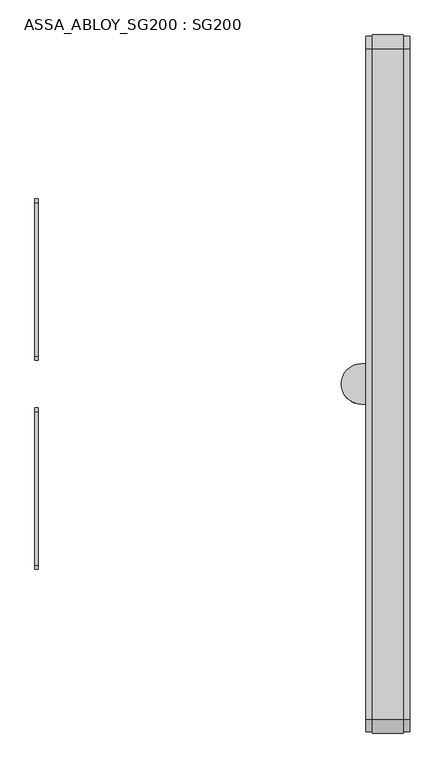
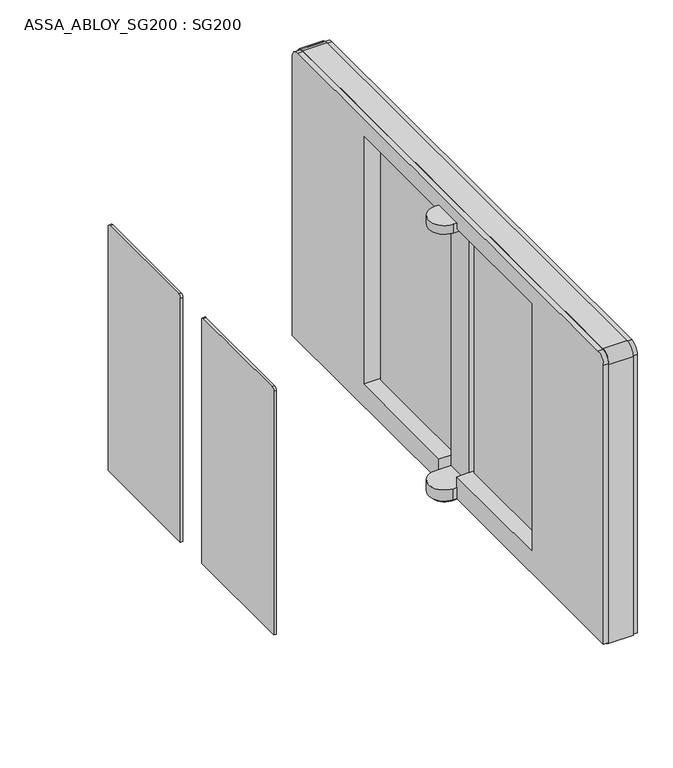
"""IFC4 building model written with IfcOpenShell, lengths in millimetres: proxy geometry, ASSA_ABLOY_SG200 : SG200."""

from ifc_helpers import new_model, si_unit, point, frame, frame_2d, origin, place, context, project, spatial, polyline, circle_curve, trimmed, segment, composite_curve, outline, extrude, source, transform, mapped, element, save
from ifc_brep_helpers import plane_surface, cylinder_surface, advanced_brep


def assa_abloy_sg200_sg200_b7031964(model_context):
    return source(origin(), model_context, "Body", "SolidModel", [
        extrude(outline(composite_curve([segment(polyline([(59.9, 85.2), (59.9, 921.825)]), True, "CONTINUOUS"), segment(trimmed(circle_curve(frame_2d((69.9, 921.825)), 10.0), [point((59.9, 921.825))], [point((69.9, 931.825))], False, "CARTESIAN"), True, "CONTINUOUS"), segment(polyline([(69.9, 931.825), (454.9, 931.825)]), True, "CONTINUOUS"), segment(trimmed(circle_curve(frame_2d((454.9, 921.825)), 10.0), [point((454.9, 931.825))], [point((464.9, 921.825))], False, "CARTESIAN"), True, "CONTINUOUS"), segment(polyline([(464.9, 921.825), (464.9, 85.2), (59.9, 85.2)]), True, "CONTINUOUS")], self_intersect=False)), frame((438.0, 0.0, 0.0), z_axis=(1.0, 0.0, 0.0), x_axis=(0.0, 1.0, 0.0)), (0.0, 0.0, 1.0), 8.0),
        extrude(outline(composite_curve([segment(polyline([(-59.9, 85.2), (-464.9, 85.2), (-464.9, 921.825)]), True, "CONTINUOUS"), segment(trimmed(circle_curve(frame_2d((-454.9, 921.825)), 10.0), [point((-464.9, 921.825))], [point((-454.9, 931.825))], False, "CARTESIAN"), True, "CONTINUOUS"), segment(polyline([(-454.9, 931.825), (-69.9, 931.825)]), True, "CONTINUOUS"), segment(trimmed(circle_curve(frame_2d((-69.9, 921.825)), 10.0), [point((-69.9, 931.825))], [point((-59.9, 921.825))], False, "CARTESIAN"), True, "CONTINUOUS"), segment(polyline([(-59.9, 921.825), (-59.9, 85.2)]), True, "CONTINUOUS")], self_intersect=False)), frame((438.0, 0.0, 0.0), z_axis=(1.0, 0.0, 0.0), x_axis=(0.0, 1.0, 0.0)), (0.0, 0.0, 1.0), 8.0),
        advanced_brep(
        [(403.0, -40.7, 0.0), (375.8, -40.7, 0.0), (375.8, 40.7, 0.0), (403.0, 40.7, 0.0), (403.0, 864.0, 0.0), (481.0, 864.0, 0.0), (481.0, -864.0, 0.0), (403.0, -864.0, 0.0), (481.0, 864.0, 9.5), (481.0, -864.0, 9.5), (403.0, -864.0, 9.5), (403.0, -40.7, 9.5), (403.0, 864.0, 9.5), (403.0, 40.7, 9.5), (387.0, -40.7, 9.5), (387.0, -40.7, 10.0), (375.8, -40.7, 10.0), (375.8, 40.7, 10.0), (387.0, 40.7, 10.0), (387.0, 40.7, 9.5), (375.8, 50.8, 955.51), (375.8, -50.8, 955.51), (387.0, -50.8, 955.51), (387.0, 50.8, 955.51), (375.8, 50.8, 925.51), (375.8, -50.8, 925.51), (426.8, -50.8, 925.51), (426.8, 50.8, 925.51), (426.8, 50.8, 48.01), (387.0, 50.8, 48.01), (375.8, 50.8, 48.01), (375.8, -50.8, 48.01), (387.0, -50.8, 48.01), (426.8, -50.8, 48.01), (497.0, 50.8, 85.2), (497.0, 474.0, 85.2), (387.0, 474.0, 85.2), (387.0, 50.8, 85.2), (426.8, 50.8, 85.2), (497.0, 474.0, 936.825), (387.0, 474.0, 936.825), (497.0, 50.8, 936.825), (387.0, 50.8, 936.825), (497.0, -474.0, 85.2), (497.0, -50.8, 85.2), (426.8, -50.8, 85.2), (387.0, -50.8, 85.2), (387.0, -474.0, 85.2), (497.0, -50.8, 936.825), (387.0, -50.8, 936.825), (497.0, -474.0, 936.825), (387.0, -474.0, 936.825), (497.0, -874.0, 965.5), (497.0, -874.0, 9.5), (497.0, 874.0, 9.5), (497.0, 874.0, 965.5), (497.0, 842.5, 997.0), (497.0, -842.5, 997.0), (387.0, -874.0, 965.5), (387.0, -842.5, 997.0), (387.0, 842.5, 997.0), (387.0, 874.0, 965.5), (387.0, 874.0, 9.5), (387.0, 50.8, 10.0), (387.0, -50.8, 10.0), (387.0, -874.0, 9.5), (375.8, 50.8, 10.0), (375.8, -50.8, 10.0)],
        [
            (0, 1),
            (1, 2, circle_curve(frame((375.8, 0.0, 0.0), z_axis=(0.0, 0.0, -1.0), x_axis=(-1.0, 0.0, 0.0)), 40.7)),
            (2, 3),
            (3, 4),
            (4, 5),
            (5, 6),
            (6, 7),
            (7, 0),
            (5, 8),
            (8, 9),
            (9, 6),
            (7, 10),
            (10, 11),
            (11, 0),
            (4, 12),
            (12, 8),
            (3, 13),
            (13, 12),
            (11, 14),
            (14, 15),
            (15, 16),
            (16, 1),
            (16, 17, circle_curve(frame((375.8, 0.0, 10.0), z_axis=(0.0, 0.0, -1.0), x_axis=(-1.0, 0.0, 0.0)), 40.7)),
            (17, 2),
            (17, 18),
            (18, 19),
            (19, 13),
            (20, 21, circle_curve(frame((375.8, 0.0, 955.51), z_axis=(0.0, 0.0, 1.0), x_axis=(-1.0, 0.0, 0.0)), 50.8)),
            (21, 22),
            (22, 23),
            (23, 20),
            (20, 24),
            (24, 25, circle_curve(frame((375.8, 0.0, 925.51), z_axis=(0.0, 0.0, 1.0), x_axis=(-1.0, 0.0, 0.0)), 50.8)),
            (25, 21),
            (9, 10),
            (26, 25),
            (24, 27),
            (27, 26),
            (28, 29),
            (29, 30),
            (30, 31, circle_curve(frame((375.8, 0.0, 48.01), z_axis=(0.0, 0.0, 1.0), x_axis=(-1.0, 0.0, 0.0)), 50.8)),
            (31, 32),
            (32, 33),
            (33, 28),
            (34, 35),
            (35, 36),
            (36, 37),
            (37, 38),
            (38, 34),
            (35, 39),
            (39, 40),
            (40, 36),
            (39, 41),
            (41, 42),
            (42, 40),
            (38, 27),
            (23, 42),
            (41, 34),
            (43, 44),
            (44, 45),
            (45, 46),
            (46, 47),
            (47, 43),
            (44, 48),
            (48, 49),
            (49, 22),
            (26, 45),
            (48, 50),
            (50, 51),
            (51, 49),
            (47, 51),
            (50, 43),
            (52, 53),
            (53, 54),
            (54, 55),
            (55, 56, circle_curve(frame((497.0, 842.5, 965.5), z_axis=(1.0, 0.0, 0.0), x_axis=(0.0, 1.0, 0.0)), 31.5)),
            (56, 57),
            (57, 52, circle_curve(frame((497.0, -842.5, 965.5), z_axis=(1.0, 0.0, 0.0), x_axis=(0.0, 1.0, 0.0)), 31.5)),
            (58, 59, circle_curve(frame((387.0, -842.5, 965.5), z_axis=(-1.0, 0.0, 0.0), x_axis=(0.0, 1.0, 0.0)), 31.5)),
            (59, 60),
            (60, 61, circle_curve(frame((387.0, 842.5, 965.5), z_axis=(-1.0, 0.0, 0.0), x_axis=(0.0, 1.0, 0.0)), 31.5)),
            (61, 62),
            (62, 19),
            (18, 63),
            (63, 29),
            (29, 37),
            (46, 32),
            (32, 64),
            (64, 15),
            (14, 65),
            (65, 58),
            (52, 58),
            (65, 53),
            (62, 54),
            (61, 55),
            (60, 56),
            (59, 57),
            (28, 38),
            (33, 45),
            (63, 66),
            (66, 30),
            (31, 67),
            (67, 64),
            (66, 67, circle_curve(frame((375.8, 0.0, 10.0), z_axis=(0.0, 0.0, 1.0), x_axis=(-1.0, 0.0, 0.0)), 50.8)),
        ],
        [
            plane_surface(frame((403.0, -40.7, 0.0), z_axis=(0.0, 0.0, -1.0), x_axis=(1.0, 0.0, 0.0))),
            plane_surface(frame((481.0, 864.0, 10.21), z_axis=(1.0, 0.0, 0.0), x_axis=(0.0, 0.0, -1.0))),
            plane_surface(frame((403.0, -864.0, 10.21), z_axis=(-1.0, 0.0, 0.0), x_axis=(0.0, 0.0, -1.0))),
            plane_surface(frame((403.0, 864.0, 10.21), z_axis=(0.0, 1.0, 0.0), x_axis=(0.0, 0.0, -1.0))),
            plane_surface(frame((403.0, 40.7, 10.21), z_axis=(-1.0, 0.0, 0.0), x_axis=(0.0, 0.0, -1.0))),
            plane_surface(frame((403.0, -40.7, 10.21), z_axis=(0.0, -1.0, 0.0), x_axis=(0.0, 0.0, -1.0))),
            cylinder_surface(frame((375.8, 0.0, 0.0), z_axis=(0.0, 0.0, 1.0), x_axis=(-1.0, 0.0, 0.0)), 40.7),
            plane_surface(frame((375.8, 40.7, 10.21), z_axis=(0.0, 1.0, 0.0), x_axis=(0.0, 0.0, -1.0))),
            plane_surface(frame((375.8, 50.8, 955.51), z_axis=(0.0, 0.0, 1.0), x_axis=(1.0, 0.0, 0.0))),
            cylinder_surface(frame((375.8, 0.0, 925.51), z_axis=(0.0, 0.0, 1.0), x_axis=(-1.0, 0.0, 0.0)), 50.8),
            plane_surface(frame((481.0, -864.0, 10.21), z_axis=(0.0, -1.0, 0.0), x_axis=(0.0, 0.0, -1.0))),
            plane_surface(frame((426.8, 0.0, 925.51), z_axis=(0.0, 0.0, -1.0), x_axis=(0.0, -1.0, 0.0))),
            plane_surface(frame((426.8, 0.0, 48.01), z_axis=(0.0, 0.0, 1.0), x_axis=(0.0, 1.0, 0.0))),
            plane_surface(frame((380.0, 50.8, 85.2), z_axis=(0.0, 0.0, 1.0), x_axis=(1.0, 0.0, 0.0))),
            plane_surface(frame((380.0, 474.0, 85.2), z_axis=(0.0, -1.0, 0.0), x_axis=(1.0, 0.0, 0.0))),
            plane_surface(frame((380.0, 474.0, 936.825), z_axis=(0.0, 0.0, -1.0), x_axis=(1.0, 0.0, 0.0))),
            plane_surface(frame((380.0, 50.8, 936.825), z_axis=(0.0, 1.0, 0.0), x_axis=(1.0, 0.0, 0.0))),
            plane_surface(frame((380.0, -474.0, 85.2), z_axis=(0.0, 0.0, 1.0), x_axis=(1.0, 0.0, 0.0))),
            plane_surface(frame((380.0, -50.8, 85.2), z_axis=(0.0, -1.0, 0.0), x_axis=(1.0, 0.0, 0.0))),
            plane_surface(frame((380.0, -50.8, 936.825), z_axis=(0.0, 0.0, -1.0), x_axis=(1.0, 0.0, 0.0))),
            plane_surface(frame((380.0, -474.0, 936.825), z_axis=(0.0, 1.0, 0.0), x_axis=(1.0, 0.0, 0.0))),
            plane_surface(frame((497.0, -874.0, 10.2), z_axis=(1.0, 0.0, 0.0), x_axis=(0.0, 0.0, 1.0))),
            plane_surface(frame((387.0, -874.0, 10.2), z_axis=(-1.0, 0.0, 0.0), x_axis=(0.0, 0.0, -1.0))),
            plane_surface(frame((387.0, -874.0, 965.5), z_axis=(0.0, -1.0, 0.0), x_axis=(1.0, 0.0, 0.0))),
            plane_surface(frame((387.0, -874.0, 9.5), z_axis=(0.0, 0.0, -1.0), x_axis=(1.0, 0.0, 0.0))),
            plane_surface(frame((387.0, 874.0, 9.5), z_axis=(0.0, 1.0, 0.0), x_axis=(1.0, 0.0, 0.0))),
            cylinder_surface(frame((497.0, 842.5, 965.5), z_axis=(-1.0, 0.0, 0.0), x_axis=(0.0, 1.0, 0.0)), 31.5),
            plane_surface(frame((387.0, 842.5, 997.0), z_axis=(0.0, 0.0, 1.0), x_axis=(1.0, 0.0, 0.0))),
            cylinder_surface(frame((497.0, -842.5, 965.5), z_axis=(-1.0, 0.0, 0.0), x_axis=(0.0, 1.0, 0.0)), 31.5),
            plane_surface(frame((387.0, 50.8, 925.51), z_axis=(0.0, -1.0, 0.0), x_axis=(0.0, 0.0, -1.0))),
            plane_surface(frame((426.8, 50.8, 925.51), z_axis=(-1.0, 0.0, 0.0), x_axis=(0.0, 0.0, -1.0))),
            plane_surface(frame((426.8, -50.8, 925.51), z_axis=(0.0, 1.0, 0.0), x_axis=(0.0, 0.0, -1.0))),
            plane_surface(frame((375.8, 50.8, 48.01), z_axis=(0.0, 1.0, 0.0), x_axis=(0.0, 0.0, -1.0))),
            plane_surface(frame((387.0, -50.8, 48.01), z_axis=(0.0, -1.0, 0.0), x_axis=(0.0, 0.0, -1.0))),
            cylinder_surface(frame((375.8, 0.0, 10.0), z_axis=(0.0, 0.0, 1.0), x_axis=(-1.0, 0.0, 0.0)), 50.8),
            plane_surface(frame((375.8, 50.8, 10.0), z_axis=(0.0, 0.0, -1.0), x_axis=(-1.0, 0.0, 0.0))),
        ],
        [
            (0, [[1, 2, 3, 4, 5, 6, 7, 8]]),
            (1, [[9, 10, 11, -6]]),
            (2, [[12, 13, 14, -8]]),
            (3, [[15, 16, -9, -5]]),
            (4, [[17, 18, -15, -4]]),
            (5, [[-14, 19, 20, 21, 22, -1]]),
            (6, [[-22, 23, 24, -2]]),
            (7, [[-24, 25, 26, 27, -17, -3]]),
            (8, [[28, 29, 30, 31]]),
            (9, [[32, 33, 34, -28]]),
            (10, [[-11, 35, -12, -7]]),
            (11, [[36, -33, 37, 38]]),
            (12, [[39, 40, 41, 42, 43, 44]]),
            (13, [[45, 46, 47, 48, 49]]),
            (14, [[50, 51, 52, -46]]),
            (15, [[53, 54, 55, -51]]),
            (16, [[56, -37, -32, -31, 57, -54, 58, -49]]),
            (17, [[59, 60, 61, 62, 63]]),
            (18, [[64, 65, 66, -29, -34, -36, 67, -60]]),
            (19, [[68, 69, 70, -65]]),
            (20, [[71, -69, 72, -63]]),
            (21, [[73, 74, 75, 76, 77, 78], [-58, -53, -50, -45], [-72, -68, -64, -59]]),
            (22, [[79, 80, 81, 82, 83, -26, 84, 85, 86, -47, -52, -55, -57, -30, -66, -70, -71, -62, 87, 88, 89, -20, 90, 91]]),
            (23, [[92, -91, 93, -73]]),
            (24, [[-93, -90, -19, -13, -35, -10, -16, -18, -27, -83, 94, -74]]),
            (25, [[-94, -82, 95, -75]]),
            (26, [[-95, -81, 96, -76]]),
            (27, [[-96, -80, 97, -77]]),
            (28, [[-97, -79, -92, -78]]),
            (29, [[98, -48, -86, -39]]),
            (30, [[-56, -98, -44, 99, -67, -38]]),
            (31, [[-87, -61, -99, -43]]),
            (32, [[-85, 100, 101, -40]]),
            (33, [[102, 103, -88, -42]]),
            (34, [[-101, 104, -102, -41]]),
            (35, [[-100, -84, -25, -23, -21, -89, -103, -104]]),
        ],
    ),
        extrude(outline(composite_curve([segment(polyline([(-874.0, 965.5), (-874.0, 9.5), (-877.0, 9.5), (-877.0, 965.5)]), True, "CONTINUOUS"), segment(trimmed(circle_curve(frame_2d((-842.5, 965.5)), 34.5), [point((-877.0, 965.5))], [point((-842.5, 1000.0))], False, "CARTESIAN"), True, "CONTINUOUS"), segment(polyline([(-842.5, 1000.0), (842.5, 1000.0)]), True, "CONTINUOUS"), segment(trimmed(circle_curve(frame_2d((842.5, 965.5)), 34.5), [point((842.5, 1000.0))], [point((877.0, 965.5))], False, "CARTESIAN"), True, "CONTINUOUS"), segment(polyline([(877.0, 965.5), (877.0, 9.5), (874.0, 9.5), (874.0, 965.5)]), True, "CONTINUOUS"), segment(trimmed(circle_curve(frame_2d((842.5, 965.5)), 31.5), [point((874.0, 965.5))], [point((842.5, 997.0))], True, "CARTESIAN"), True, "CONTINUOUS"), segment(polyline([(842.5, 997.0), (-842.5, 997.0)]), True, "CONTINUOUS"), segment(trimmed(circle_curve(frame_2d((-842.5, 965.5)), 31.5), [point((-842.5, 997.0))], [point((-874.0, 965.5))], True, "CARTESIAN"), True, "CONTINUOUS")], self_intersect=False)), frame((403.0, 0.0, 0.0), z_axis=(1.0, 0.0, 0.0), x_axis=(0.0, 1.0, 0.0)), (0.0, 0.0, 1.0), 78.0),
        advanced_brep(
        [(435.0, 357.7809311, 918.825), (435.0, 351.7809311, 924.825), (435.0, 351.7809311, 933.825), (435.0, 411.7809311, 933.825), (435.0, 411.7809311, 924.825), (435.0, 405.7809311, 918.825), (438.0, 357.7809311, 918.825), (438.0, 405.7809311, 918.825), (438.0, 411.7809311, 924.825), (438.0, 351.7809311, 924.825), (420.0, 357.7809311, 936.825), (426.0, 351.7809311, 936.825), (438.0, 351.7809311, 936.825), (438.0, 411.7809311, 936.825), (426.0, 411.7809311, 936.825), (420.0, 405.7809311, 936.825), (420.0, 357.7809311, 933.825), (420.0, 405.7809311, 933.825), (426.0, 411.7809311, 933.825), (426.0, 351.7809311, 933.825)],
        [
            (0, 1, circle_curve(frame((435.0, 357.7809311, 924.825), z_axis=(-1.0, 0.0, 0.0), x_axis=(0.0, 1.0, 0.0)), 6.0)),
            (1, 2),
            (2, 3),
            (3, 4),
            (4, 5, circle_curve(frame((435.0, 405.7809311, 924.825), z_axis=(-1.0, 0.0, 0.0), x_axis=(0.0, 1.0, 0.0)), 6.0)),
            (5, 0),
            (6, 0),
            (5, 7),
            (7, 6),
            (4, 8),
            (8, 7, circle_curve(frame((438.0, 405.7809311, 924.825), z_axis=(-1.0, 0.0, 0.0), x_axis=(0.0, 1.0, 0.0)), 6.0)),
            (9, 1),
            (6, 9, circle_curve(frame((438.0, 357.7809311, 924.825), z_axis=(-1.0, 0.0, 0.0), x_axis=(0.0, 1.0, 0.0)), 6.0)),
            (10, 11, circle_curve(frame((426.0, 357.7809311, 936.825), z_axis=(0.0, 0.0, 1.0), x_axis=(0.0, -1.0, 0.0)), 6.0)),
            (11, 12),
            (12, 13),
            (13, 14),
            (14, 15, circle_curve(frame((426.0, 405.7809311, 936.825), z_axis=(0.0, 0.0, 1.0), x_axis=(0.0, -1.0, 0.0)), 6.0)),
            (15, 10),
            (16, 17),
            (17, 18, circle_curve(frame((426.0, 405.7809311, 933.825), z_axis=(0.0, 0.0, -1.0), x_axis=(0.0, -1.0, 0.0)), 6.0)),
            (18, 3),
            (2, 19),
            (19, 16, circle_curve(frame((426.0, 357.7809311, 933.825), z_axis=(0.0, 0.0, -1.0), x_axis=(0.0, -1.0, 0.0)), 6.0)),
            (12, 9),
            (8, 13),
            (10, 16),
            (19, 11),
            (18, 14),
            (17, 15),
        ],
        [
            plane_surface(frame((435.0, 405.7809311, 918.825), z_axis=(-1.0, 0.0, 0.0), x_axis=(0.0, 1.0, 0.0))),
            plane_surface(frame((435.0, 357.7809311, 918.825), z_axis=(0.0, 0.0, -1.0), x_axis=(1.0, 0.0, 0.0))),
            cylinder_surface(frame((438.0, 405.7809311, 924.825), z_axis=(-1.0, 0.0, 0.0), x_axis=(0.0, 1.0, 0.0)), 6.0),
            cylinder_surface(frame((438.0, 357.7809311, 924.825), z_axis=(-1.0, 0.0, 0.0), x_axis=(0.0, 1.0, 0.0)), 6.0),
            plane_surface(frame((420.0, -405.7809311, 936.825), z_axis=(0.0, 0.0, 1.0), x_axis=(0.0, 1.0, 0.0))),
            plane_surface(frame((420.0, -405.7809311, 933.825), z_axis=(0.0, 0.0, -1.0), x_axis=(0.0, -1.0, 0.0))),
            plane_surface(frame((438.0, -411.7809311, 933.825), z_axis=(1.0, 0.0, 0.0), x_axis=(0.0, 0.0, 1.0))),
            cylinder_surface(frame((426.0, 357.7809311, 936.825), z_axis=(0.0, 0.0, -1.0), x_axis=(0.0, -1.0, 0.0)), 6.0),
            plane_surface(frame((426.0, 351.7809311, 933.825), z_axis=(0.0, -1.0, 0.0), x_axis=(0.0, 0.0, 1.0))),
            plane_surface(frame((438.0, 411.7809311, 933.825), z_axis=(0.0, 1.0, 0.0), x_axis=(0.0, 0.0, 1.0))),
            cylinder_surface(frame((426.0, 405.7809311, 936.825), z_axis=(0.0, 0.0, -1.0), x_axis=(0.0, -1.0, 0.0)), 6.0),
            plane_surface(frame((420.0, 405.7809311, 933.825), z_axis=(-1.0, 0.0, 0.0), x_axis=(0.0, 0.0, 1.0))),
        ],
        [
            (0, [[1, 2, 3, 4, 5, 6]]),
            (1, [[7, -6, 8, 9]]),
            (2, [[-8, -5, 10, 11]]),
            (3, [[12, -1, -7, 13]]),
            (4, [[14, 15, 16, 17, 18, 19]]),
            (5, [[20, 21, 22, -3, 23, 24]]),
            (6, [[25, -13, -9, -11, 26, -16]]),
            (7, [[27, -24, 28, -14]]),
            (8, [[-23, -2, -12, -25, -15, -28]]),
            (9, [[-17, -26, -10, -4, -22, 29]]),
            (10, [[-29, -21, 30, -18]]),
            (11, [[-30, -20, -27, -19]]),
        ],
    ),
        advanced_brep(
        [(435.0, 173.7809311, 918.825), (435.0, 125.7809311, 918.825), (435.0, 119.7809311, 924.825), (435.0, 119.7809311, 933.825), (435.0, 179.7809311, 933.825), (435.0, 179.7809311, 924.825), (438.0, 173.7809311, 918.825), (438.0, 179.7809311, 924.825), (438.0, 119.7809311, 924.825), (438.0, 125.7809311, 918.825), (420.0, 174.7809311, 936.825), (420.0, 125.7809311, 936.825), (426.0, 119.7809311, 936.825), (438.0, 119.7809311, 936.825), (438.0, 179.7809311, 936.825), (425.0, 179.7809311, 936.825), (420.0, 174.7809311, 933.825), (425.0, 179.7809311, 933.825), (426.0, 119.7809311, 933.825), (420.0, 125.7809311, 933.825)],
        [
            (0, 1),
            (1, 2, circle_curve(frame((435.0, 125.7809311, 924.825), z_axis=(-1.0, 0.0, 0.0), x_axis=(0.0, 1.0, 0.0)), 6.0)),
            (2, 3),
            (3, 4),
            (4, 5),
            (5, 0, circle_curve(frame((435.0, 173.7809311, 924.825), z_axis=(-1.0, 0.0, 0.0), x_axis=(0.0, 1.0, 0.0)), 6.0)),
            (6, 0),
            (5, 7),
            (7, 6, circle_curve(frame((438.0, 173.7809311, 924.825), z_axis=(-1.0, 0.0, 0.0), x_axis=(0.0, 1.0, 0.0)), 6.0)),
            (8, 2),
            (1, 9),
            (9, 8, circle_curve(frame((438.0, 125.7809311, 924.825), z_axis=(-1.0, 0.0, 0.0), x_axis=(0.0, 1.0, 0.0)), 6.0)),
            (6, 9),
            (10, 11),
            (11, 12, circle_curve(frame((426.0, 125.7809311, 936.825), z_axis=(0.0, 0.0, 1.0), x_axis=(0.0, -1.0, 0.0)), 6.0)),
            (12, 13),
            (13, 14),
            (14, 15),
            (15, 10, circle_curve(frame((425.0, 174.7809311, 936.825), z_axis=(0.0, 0.0, 1.0), x_axis=(0.0, -1.0, 0.0)), 5.0)),
            (16, 17, circle_curve(frame((425.0, 174.7809311, 933.825), z_axis=(0.0, 0.0, -1.0), x_axis=(0.0, -1.0, 0.0)), 5.0)),
            (17, 4),
            (3, 18),
            (18, 19, circle_curve(frame((426.0, 125.7809311, 933.825), z_axis=(0.0, 0.0, -1.0), x_axis=(0.0, -1.0, 0.0)), 6.0)),
            (19, 16),
            (13, 8),
            (7, 14),
            (10, 16),
            (19, 11),
            (18, 12),
            (17, 15),
        ],
        [
            plane_surface(frame((435.0, 405.7809311, 918.825), z_axis=(-1.0, 0.0, 0.0), x_axis=(0.0, 1.0, 0.0))),
            cylinder_surface(frame((438.0, 173.7809311, 924.825), z_axis=(-1.0, 0.0, 0.0), x_axis=(0.0, 1.0, 0.0)), 6.0),
            cylinder_surface(frame((438.0, 125.7809311, 924.825), z_axis=(-1.0, 0.0, 0.0), x_axis=(0.0, 1.0, 0.0)), 6.0),
            plane_surface(frame((435.0, 125.7809311, 918.825), z_axis=(0.0, 0.0, -1.0), x_axis=(1.0, 0.0, 0.0))),
            plane_surface(frame((420.0, -405.7809311, 936.825), z_axis=(0.0, 0.0, 1.0), x_axis=(0.0, 1.0, 0.0))),
            plane_surface(frame((420.0, -405.7809311, 933.825), z_axis=(0.0, 0.0, -1.0), x_axis=(0.0, -1.0, 0.0))),
            plane_surface(frame((438.0, -411.7809311, 933.825), z_axis=(1.0, 0.0, 0.0), x_axis=(0.0, 0.0, 1.0))),
            plane_surface(frame((420.0, 174.7809311, 933.825), z_axis=(-1.0, 0.0, 0.0), x_axis=(0.0, 0.0, 1.0))),
            cylinder_surface(frame((426.0, 125.7809311, 936.825), z_axis=(0.0, 0.0, -1.0), x_axis=(0.0, -1.0, 0.0)), 6.0),
            plane_surface(frame((426.0, 119.7809311, 933.825), z_axis=(0.0, -1.0, 0.0), x_axis=(0.0, 0.0, 1.0))),
            plane_surface(frame((438.0, 179.7809311, 933.825), z_axis=(0.0, 1.0, 0.0), x_axis=(0.0, 0.0, 1.0))),
            cylinder_surface(frame((425.0, 174.7809311, 936.825), z_axis=(0.0, 0.0, -1.0), x_axis=(0.0, -1.0, 0.0)), 5.0),
        ],
        [
            (0, [[1, 2, 3, 4, 5, 6]]),
            (1, [[7, -6, 8, 9]]),
            (2, [[10, -2, 11, 12]]),
            (3, [[-11, -1, -7, 13]]),
            (4, [[14, 15, 16, 17, 18, 19]]),
            (5, [[20, 21, -4, 22, 23, 24]]),
            (6, [[25, -12, -13, -9, 26, -17]]),
            (7, [[27, -24, 28, -14]]),
            (8, [[-28, -23, 29, -15]]),
            (9, [[-22, -3, -10, -25, -16, -29]]),
            (10, [[-18, -26, -8, -5, -21, 30]]),
            (11, [[-30, -20, -27, -19]]),
        ],
    ),
        advanced_brep(
        [(435.0, -357.7809311, 918.825), (435.0, -405.7809311, 918.825), (435.0, -411.7809311, 924.825), (435.0, -411.7809311, 933.825), (435.0, -351.7809311, 933.825), (435.0, -351.7809311, 924.825), (438.0, -357.7809311, 918.825), (438.0, -351.7809311, 924.825), (438.0, -411.7809311, 924.825), (438.0, -405.7809311, 918.825), (420.0, -357.7809311, 936.825), (420.0, -405.7809311, 936.825), (426.0, -411.7809311, 936.825), (438.0, -411.7809311, 936.825), (438.0, -351.7809311, 936.825), (426.0, -351.7809311, 936.825), (420.0, -357.7809311, 933.825), (426.0, -351.7809311, 933.825), (426.0, -411.7809311, 933.825), (420.0, -405.7809311, 933.825)],
        [
            (0, 1),
            (1, 2, circle_curve(frame((435.0, -405.7809311, 924.825), z_axis=(-1.0, 0.0, 0.0), x_axis=(0.0, 1.0, 0.0)), 6.0)),
            (2, 3),
            (3, 4),
            (4, 5),
            (5, 0, circle_curve(frame((435.0, -357.7809311, 924.825), z_axis=(-1.0, 0.0, 0.0), x_axis=(0.0, 1.0, 0.0)), 6.0)),
            (6, 0),
            (5, 7),
            (7, 6, circle_curve(frame((438.0, -357.7809311, 924.825), z_axis=(-1.0, 0.0, 0.0), x_axis=(0.0, 1.0, 0.0)), 6.0)),
            (8, 2),
            (1, 9),
            (9, 8, circle_curve(frame((438.0, -405.7809311, 924.825), z_axis=(-1.0, 0.0, 0.0), x_axis=(0.0, 1.0, 0.0)), 6.0)),
            (6, 9),
            (10, 11),
            (11, 12, circle_curve(frame((426.0, -405.7809311, 936.825), z_axis=(0.0, 0.0, 1.0), x_axis=(0.0, -1.0, 0.0)), 6.0)),
            (12, 13),
            (13, 14),
            (14, 15),
            (15, 10, circle_curve(frame((426.0, -357.7809311, 936.825), z_axis=(0.0, 0.0, 1.0), x_axis=(0.0, -1.0, 0.0)), 6.0)),
            (16, 17, circle_curve(frame((426.0, -357.7809311, 933.825), z_axis=(0.0, 0.0, -1.0), x_axis=(0.0, -1.0, 0.0)), 6.0)),
            (17, 4),
            (3, 18),
            (18, 19, circle_curve(frame((426.0, -405.7809311, 933.825), z_axis=(0.0, 0.0, -1.0), x_axis=(0.0, -1.0, 0.0)), 6.0)),
            (19, 16),
            (10, 16),
            (19, 11),
            (18, 12),
            (8, 13),
            (7, 14),
            (17, 15),
        ],
        [
            plane_surface(frame((435.0, 405.7809311, 918.825), z_axis=(-1.0, 0.0, 0.0), x_axis=(0.0, 1.0, 0.0))),
            cylinder_surface(frame((438.0, -357.7809311, 924.825), z_axis=(-1.0, 0.0, 0.0), x_axis=(0.0, 1.0, 0.0)), 6.0),
            cylinder_surface(frame((438.0, -405.7809311, 924.825), z_axis=(-1.0, 0.0, 0.0), x_axis=(0.0, 1.0, 0.0)), 6.0),
            plane_surface(frame((435.0, -405.7809311, 918.825), z_axis=(0.0, 0.0, -1.0), x_axis=(1.0, 0.0, 0.0))),
            plane_surface(frame((420.0, -405.7809311, 936.825), z_axis=(0.0, 0.0, 1.0), x_axis=(0.0, 1.0, 0.0))),
            plane_surface(frame((420.0, -405.7809311, 933.825), z_axis=(0.0, 0.0, -1.0), x_axis=(0.0, -1.0, 0.0))),
            plane_surface(frame((420.0, -357.7809311, 933.825), z_axis=(-1.0, 0.0, 0.0), x_axis=(0.0, 0.0, 1.0))),
            cylinder_surface(frame((426.0, -405.7809311, 936.825), z_axis=(0.0, 0.0, -1.0), x_axis=(0.0, -1.0, 0.0)), 6.0),
            plane_surface(frame((426.0, -411.7809311, 933.825), z_axis=(0.0, -1.0, 0.0), x_axis=(0.0, 0.0, 1.0))),
            plane_surface(frame((438.0, -411.7809311, 933.825), z_axis=(1.0, 0.0, 0.0), x_axis=(0.0, 0.0, 1.0))),
            plane_surface(frame((438.0, -351.7809311, 933.825), z_axis=(0.0, 1.0, 0.0), x_axis=(0.0, 0.0, 1.0))),
            cylinder_surface(frame((426.0, -357.7809311, 936.825), z_axis=(0.0, 0.0, -1.0), x_axis=(0.0, -1.0, 0.0)), 6.0),
        ],
        [
            (0, [[1, 2, 3, 4, 5, 6]]),
            (1, [[7, -6, 8, 9]]),
            (2, [[10, -2, 11, 12]]),
            (3, [[-11, -1, -7, 13]]),
            (4, [[14, 15, 16, 17, 18, 19]]),
            (5, [[20, 21, -4, 22, 23, 24]]),
            (6, [[25, -24, 26, -14]]),
            (7, [[-26, -23, 27, -15]]),
            (8, [[-22, -3, -10, 28, -16, -27]]),
            (9, [[-28, -12, -13, -9, 29, -17]]),
            (10, [[-18, -29, -8, -5, -21, 30]]),
            (11, [[-30, -20, -25, -19]]),
        ],
    ),
        advanced_brep(
        [(435.0, -173.7809311, 918.825), (435.0, -179.7809311, 924.825), (435.0, -179.7809311, 933.825), (435.0, -119.7809311, 933.825), (435.0, -119.7809311, 924.825), (435.0, -125.7809311, 918.825), (438.0, -173.7809311, 918.825), (438.0, -125.7809311, 918.825), (438.0, -119.7809311, 924.825), (438.0, -179.7809311, 924.825), (420.0, -173.7809311, 936.825), (426.0, -179.7809311, 936.825), (438.0, -179.7809311, 936.825), (438.0, -119.7809311, 936.825), (426.0, -119.7809311, 936.825), (420.0, -125.7809311, 936.825), (420.0, -173.7809311, 933.825), (420.0, -125.7809311, 933.825), (426.0, -119.7809311, 933.825), (426.0, -179.7809311, 933.825)],
        [
            (0, 1, circle_curve(frame((435.0, -173.7809311, 924.825), z_axis=(-1.0, 0.0, 0.0), x_axis=(0.0, 1.0, 0.0)), 6.0)),
            (1, 2),
            (2, 3),
            (3, 4),
            (4, 5, circle_curve(frame((435.0, -125.7809311, 924.825), z_axis=(-1.0, 0.0, 0.0), x_axis=(0.0, 1.0, 0.0)), 6.0)),
            (5, 0),
            (6, 0),
            (5, 7),
            (7, 6),
            (4, 8),
            (8, 7, circle_curve(frame((438.0, -125.7809311, 924.825), z_axis=(-1.0, 0.0, 0.0), x_axis=(0.0, 1.0, 0.0)), 6.0)),
            (9, 1),
            (6, 9, circle_curve(frame((438.0, -173.7809311, 924.825), z_axis=(-1.0, 0.0, 0.0), x_axis=(0.0, 1.0, 0.0)), 6.0)),
            (10, 11, circle_curve(frame((426.0, -173.7809311, 936.825), z_axis=(0.0, 0.0, 1.0), x_axis=(0.0, -1.0, 0.0)), 6.0)),
            (11, 12),
            (12, 13),
            (13, 14),
            (14, 15, circle_curve(frame((426.0, -125.7809311, 936.825), z_axis=(0.0, 0.0, 1.0), x_axis=(0.0, -1.0, 0.0)), 6.0)),
            (15, 10),
            (16, 17),
            (17, 18, circle_curve(frame((426.0, -125.7809311, 933.825), z_axis=(0.0, 0.0, -1.0), x_axis=(0.0, -1.0, 0.0)), 6.0)),
            (18, 3),
            (2, 19),
            (19, 16, circle_curve(frame((426.0, -173.7809311, 933.825), z_axis=(0.0, 0.0, -1.0), x_axis=(0.0, -1.0, 0.0)), 6.0)),
            (12, 9),
            (8, 13),
            (10, 16),
            (19, 11),
            (18, 14),
            (17, 15),
        ],
        [
            plane_surface(frame((435.0, 405.7809311, 918.825), z_axis=(-1.0, 0.0, 0.0), x_axis=(0.0, 1.0, 0.0))),
            plane_surface(frame((435.0, -173.7809311, 918.825), z_axis=(0.0, 0.0, -1.0), x_axis=(1.0, 0.0, 0.0))),
            cylinder_surface(frame((438.0, -125.7809311, 924.825), z_axis=(-1.0, 0.0, 0.0), x_axis=(0.0, 1.0, 0.0)), 6.0),
            cylinder_surface(frame((438.0, -173.7809311, 924.825), z_axis=(-1.0, 0.0, 0.0), x_axis=(0.0, 1.0, 0.0)), 6.0),
            plane_surface(frame((420.0, -405.7809311, 936.825), z_axis=(0.0, 0.0, 1.0), x_axis=(0.0, 1.0, 0.0))),
            plane_surface(frame((420.0, -405.7809311, 933.825), z_axis=(0.0, 0.0, -1.0), x_axis=(0.0, -1.0, 0.0))),
            plane_surface(frame((438.0, -411.7809311, 933.825), z_axis=(1.0, 0.0, 0.0), x_axis=(0.0, 0.0, 1.0))),
            cylinder_surface(frame((426.0, -173.7809311, 936.825), z_axis=(0.0, 0.0, -1.0), x_axis=(0.0, -1.0, 0.0)), 6.0),
            plane_surface(frame((426.0, -179.7809311, 933.825), z_axis=(0.0, -1.0, 0.0), x_axis=(0.0, 0.0, 1.0))),
            plane_surface(frame((438.0, -119.7809311, 933.825), z_axis=(0.0, 1.0, 0.0), x_axis=(0.0, 0.0, 1.0))),
            cylinder_surface(frame((426.0, -125.7809311, 936.825), z_axis=(0.0, 0.0, -1.0), x_axis=(0.0, -1.0, 0.0)), 6.0),
            plane_surface(frame((420.0, -125.7809311, 933.825), z_axis=(-1.0, 0.0, 0.0), x_axis=(0.0, 0.0, 1.0))),
        ],
        [
            (0, [[1, 2, 3, 4, 5, 6]]),
            (1, [[7, -6, 8, 9]]),
            (2, [[-8, -5, 10, 11]]),
            (3, [[12, -1, -7, 13]]),
            (4, [[14, 15, 16, 17, 18, 19]]),
            (5, [[20, 21, 22, -3, 23, 24]]),
            (6, [[25, -13, -9, -11, 26, -16]]),
            (7, [[27, -24, 28, -14]]),
            (8, [[-23, -2, -12, -25, -15, -28]]),
            (9, [[-17, -26, -10, -4, -22, 29]]),
            (10, [[-29, -21, 30, -18]]),
            (11, [[-30, -20, -27, -19]]),
        ],
    ),
        advanced_brep(
        [(449.0, 357.7809311, 918.825), (449.0, 405.7809311, 918.825), (449.0, 411.7809311, 924.825), (449.0, 411.7809311, 933.825), (449.0, 351.7809311, 933.825), (449.0, 351.7809311, 924.825), (446.0, 405.7809311, 918.825), (446.0, 357.7809311, 918.825), (446.0, 411.7809311, 924.825), (446.0, 351.7809311, 924.825), (464.0, 357.7809311, 936.825), (464.0, 405.7809311, 936.825), (458.0, 411.7809311, 936.825), (446.0, 411.7809311, 936.825), (446.0, 351.7809311, 936.825), (458.0, 351.7809311, 936.825), (464.0, 357.7809311, 933.825), (458.0, 351.7809311, 933.825), (458.0, 411.7809311, 933.825), (464.0, 405.7809311, 933.825)],
        [
            (0, 1),
            (1, 2, circle_curve(frame((449.0, 405.7809311, 924.825), z_axis=(1.0, 0.0, 0.0), x_axis=(0.0, -1.0, 0.0)), 6.0)),
            (2, 3),
            (3, 4),
            (4, 5),
            (5, 0, circle_curve(frame((449.0, 357.7809311, 924.825), z_axis=(1.0, 0.0, 0.0), x_axis=(0.0, -1.0, 0.0)), 6.0)),
            (6, 1),
            (0, 7),
            (7, 6),
            (8, 2),
            (6, 8, circle_curve(frame((446.0, 405.7809311, 924.825), z_axis=(1.0, 0.0, 0.0), x_axis=(0.0, -1.0, 0.0)), 6.0)),
            (5, 9),
            (9, 7, circle_curve(frame((446.0, 357.7809311, 924.825), z_axis=(1.0, 0.0, 0.0), x_axis=(0.0, -1.0, 0.0)), 6.0)),
            (10, 11),
            (11, 12, circle_curve(frame((458.0, 405.7809311, 936.825), z_axis=(0.0, 0.0, 1.0), x_axis=(0.0, -1.0, 0.0)), 6.0)),
            (12, 13),
            (13, 14),
            (14, 15),
            (15, 10, circle_curve(frame((458.0, 357.7809311, 936.825), z_axis=(0.0, 0.0, 1.0), x_axis=(0.0, -1.0, 0.0)), 6.0)),
            (16, 17, circle_curve(frame((458.0, 357.7809311, 933.825), z_axis=(0.0, 0.0, -1.0), x_axis=(0.0, -1.0, 0.0)), 6.0)),
            (17, 4),
            (3, 18),
            (18, 19, circle_curve(frame((458.0, 405.7809311, 933.825), z_axis=(0.0, 0.0, -1.0), x_axis=(0.0, -1.0, 0.0)), 6.0)),
            (19, 16),
            (9, 14),
            (13, 8),
            (10, 16),
            (19, 11),
            (18, 12),
            (17, 15),
        ],
        [
            plane_surface(frame((449.0, 351.7809311, 924.825), z_axis=(1.0, 0.0, 0.0), x_axis=(0.0, 0.0, 1.0))),
            plane_surface(frame((449.0, 405.7809311, 918.825), z_axis=(0.0, 0.0, -1.0), x_axis=(-1.0, 0.0, 0.0))),
            cylinder_surface(frame((446.0, 405.7809311, 924.825), z_axis=(1.0, 0.0, 0.0), x_axis=(0.0, -1.0, 0.0)), 6.0),
            cylinder_surface(frame((446.0, 357.7809311, 924.825), z_axis=(1.0, 0.0, 0.0), x_axis=(0.0, -1.0, 0.0)), 6.0),
            plane_surface(frame((420.0, -405.7809311, 936.825), z_axis=(0.0, 0.0, 1.0), x_axis=(0.0, 1.0, 0.0))),
            plane_surface(frame((420.0, -405.7809311, 933.825), z_axis=(0.0, 0.0, -1.0), x_axis=(0.0, -1.0, 0.0))),
            plane_surface(frame((446.0, -351.7809311, 933.825), z_axis=(-1.0, 0.0, 0.0), x_axis=(0.0, 0.0, 1.0))),
            plane_surface(frame((464.0, 357.7809311, 933.825), z_axis=(1.0, 0.0, 0.0), x_axis=(0.0, 0.0, 1.0))),
            cylinder_surface(frame((458.0, 405.7809311, 936.825), z_axis=(0.0, 0.0, -1.0), x_axis=(0.0, -1.0, 0.0)), 6.0),
            plane_surface(frame((458.0, 411.7809311, 933.825), z_axis=(0.0, 1.0, 0.0), x_axis=(0.0, 0.0, 1.0))),
            plane_surface(frame((446.0, 351.7809311, 933.825), z_axis=(0.0, -1.0, 0.0), x_axis=(0.0, 0.0, 1.0))),
            cylinder_surface(frame((458.0, 357.7809311, 936.825), z_axis=(0.0, 0.0, -1.0), x_axis=(0.0, -1.0, 0.0)), 6.0),
        ],
        [
            (0, [[1, 2, 3, 4, 5, 6]]),
            (1, [[7, -1, 8, 9]]),
            (2, [[10, -2, -7, 11]]),
            (3, [[-8, -6, 12, 13]]),
            (4, [[14, 15, 16, 17, 18, 19]]),
            (5, [[20, 21, -4, 22, 23, 24]]),
            (6, [[-13, 25, -17, 26, -11, -9]]),
            (7, [[27, -24, 28, -14]]),
            (8, [[-28, -23, 29, -15]]),
            (9, [[-22, -3, -10, -26, -16, -29]]),
            (10, [[-12, -5, -21, 30, -18, -25]]),
            (11, [[-30, -20, -27, -19]]),
        ],
    ),
        advanced_brep(
        [(449.0, 173.7809311, 918.825), (449.0, 179.7809311, 924.825), (449.0, 179.7809311, 933.825), (449.0, 119.7809311, 933.825), (449.0, 119.7809311, 924.825), (449.0, 125.7809311, 918.825), (446.0, 179.7809311, 924.825), (446.0, 173.7809311, 918.825), (446.0, 125.7809311, 918.825), (446.0, 119.7809311, 924.825), (464.0, 173.7809311, 936.825), (458.0, 179.7809311, 936.825), (446.0, 179.7809311, 936.825), (446.0, 119.7809311, 936.825), (458.0, 119.7809311, 936.825), (464.0, 125.7809311, 936.825), (464.0, 173.7809311, 933.825), (464.0, 125.7809311, 933.825), (458.0, 119.7809311, 933.825), (458.0, 179.7809311, 933.825)],
        [
            (0, 1, circle_curve(frame((449.0, 173.7809311, 924.825), z_axis=(1.0, 0.0, 0.0), x_axis=(0.0, -1.0, 0.0)), 6.0)),
            (1, 2),
            (2, 3),
            (3, 4),
            (4, 5, circle_curve(frame((449.0, 125.7809311, 924.825), z_axis=(1.0, 0.0, 0.0), x_axis=(0.0, -1.0, 0.0)), 6.0)),
            (5, 0),
            (6, 1),
            (0, 7),
            (7, 6, circle_curve(frame((446.0, 173.7809311, 924.825), z_axis=(1.0, 0.0, 0.0), x_axis=(0.0, -1.0, 0.0)), 6.0)),
            (8, 5),
            (4, 9),
            (9, 8, circle_curve(frame((446.0, 125.7809311, 924.825), z_axis=(1.0, 0.0, 0.0), x_axis=(0.0, -1.0, 0.0)), 6.0)),
            (8, 7),
            (10, 11, circle_curve(frame((458.0, 173.7809311, 936.825), z_axis=(0.0, 0.0, 1.0), x_axis=(0.0, -1.0, 0.0)), 6.0)),
            (11, 12),
            (12, 13),
            (13, 14),
            (14, 15, circle_curve(frame((458.0, 125.7809311, 936.825), z_axis=(0.0, 0.0, 1.0), x_axis=(0.0, -1.0, 0.0)), 6.0)),
            (15, 10),
            (16, 17),
            (17, 18, circle_curve(frame((458.0, 125.7809311, 933.825), z_axis=(0.0, 0.0, -1.0), x_axis=(0.0, -1.0, 0.0)), 6.0)),
            (18, 3),
            (2, 19),
            (19, 16, circle_curve(frame((458.0, 173.7809311, 933.825), z_axis=(0.0, 0.0, -1.0), x_axis=(0.0, -1.0, 0.0)), 6.0)),
            (9, 13),
            (12, 6),
            (10, 16),
            (19, 11),
            (18, 14),
            (17, 15),
        ],
        [
            plane_surface(frame((449.0, 351.7809311, 924.825), z_axis=(1.0, 0.0, 0.0), x_axis=(0.0, 0.0, 1.0))),
            cylinder_surface(frame((446.0, 173.7809311, 924.825), z_axis=(1.0, 0.0, 0.0), x_axis=(0.0, -1.0, 0.0)), 6.0),
            cylinder_surface(frame((446.0, 125.7809311, 924.825), z_axis=(1.0, 0.0, 0.0), x_axis=(0.0, -1.0, 0.0)), 6.0),
            plane_surface(frame((449.0, 173.7809311, 918.825), z_axis=(0.0, 0.0, -1.0), x_axis=(-1.0, 0.0, 0.0))),
            plane_surface(frame((420.0, -405.7809311, 936.825), z_axis=(0.0, 0.0, 1.0), x_axis=(0.0, 1.0, 0.0))),
            plane_surface(frame((420.0, -405.7809311, 933.825), z_axis=(0.0, 0.0, -1.0), x_axis=(0.0, -1.0, 0.0))),
            plane_surface(frame((446.0, -351.7809311, 933.825), z_axis=(-1.0, 0.0, 0.0), x_axis=(0.0, 0.0, 1.0))),
            cylinder_surface(frame((458.0, 173.7809311, 936.825), z_axis=(0.0, 0.0, -1.0), x_axis=(0.0, -1.0, 0.0)), 6.0),
            plane_surface(frame((458.0, 179.7809311, 933.825), z_axis=(0.0, 1.0, 0.0), x_axis=(0.0, 0.0, 1.0))),
            plane_surface(frame((446.0, 119.7809311, 933.825), z_axis=(0.0, -1.0, 0.0), x_axis=(0.0, 0.0, 1.0))),
            cylinder_surface(frame((458.0, 125.7809311, 936.825), z_axis=(0.0, 0.0, -1.0), x_axis=(0.0, -1.0, 0.0)), 6.0),
            plane_surface(frame((464.0, 125.7809311, 933.825), z_axis=(1.0, 0.0, 0.0), x_axis=(0.0, 0.0, 1.0))),
        ],
        [
            (0, [[1, 2, 3, 4, 5, 6]]),
            (1, [[7, -1, 8, 9]]),
            (2, [[10, -5, 11, 12]]),
            (3, [[-8, -6, -10, 13]]),
            (4, [[14, 15, 16, 17, 18, 19]]),
            (5, [[20, 21, 22, -3, 23, 24]]),
            (6, [[-13, -12, 25, -16, 26, -9]]),
            (7, [[27, -24, 28, -14]]),
            (8, [[-23, -2, -7, -26, -15, -28]]),
            (9, [[-11, -4, -22, 29, -17, -25]]),
            (10, [[-29, -21, 30, -18]]),
            (11, [[-30, -20, -27, -19]]),
        ],
    ),
        advanced_brep(
        [(449.0, -357.7809311, 918.825), (449.0, -351.7809311, 924.825), (449.0, -351.7809311, 933.825), (449.0, -411.7809311, 933.825), (449.0, -411.7809311, 924.825), (449.0, -405.7809311, 918.825), (446.0, -351.7809311, 924.825), (446.0, -357.7809311, 918.825), (446.0, -405.7809311, 918.825), (446.0, -411.7809311, 924.825), (464.0, -357.7809311, 936.825), (458.0, -351.7809311, 936.825), (446.0, -351.7809311, 936.825), (446.0, -411.7809311, 936.825), (458.0, -411.7809311, 936.825), (464.0, -405.7809311, 936.825), (464.0, -357.7809311, 933.825), (464.0, -405.7809311, 933.825), (458.0, -411.7809311, 933.825), (458.0, -351.7809311, 933.825)],
        [
            (0, 1, circle_curve(frame((449.0, -357.7809311, 924.825), z_axis=(1.0, 0.0, 0.0), x_axis=(0.0, -1.0, 0.0)), 6.0)),
            (1, 2),
            (2, 3),
            (3, 4),
            (4, 5, circle_curve(frame((449.0, -405.7809311, 924.825), z_axis=(1.0, 0.0, 0.0), x_axis=(0.0, -1.0, 0.0)), 6.0)),
            (5, 0),
            (6, 1),
            (0, 7),
            (7, 6, circle_curve(frame((446.0, -357.7809311, 924.825), z_axis=(1.0, 0.0, 0.0), x_axis=(0.0, -1.0, 0.0)), 6.0)),
            (8, 5),
            (4, 9),
            (9, 8, circle_curve(frame((446.0, -405.7809311, 924.825), z_axis=(1.0, 0.0, 0.0), x_axis=(0.0, -1.0, 0.0)), 6.0)),
            (8, 7),
            (10, 11, circle_curve(frame((458.0, -357.7809311, 936.825), z_axis=(0.0, 0.0, 1.0), x_axis=(0.0, -1.0, 0.0)), 6.0)),
            (11, 12),
            (12, 13),
            (13, 14),
            (14, 15, circle_curve(frame((458.0, -405.7809311, 936.825), z_axis=(0.0, 0.0, 1.0), x_axis=(0.0, -1.0, 0.0)), 6.0)),
            (15, 10),
            (16, 17),
            (17, 18, circle_curve(frame((458.0, -405.7809311, 933.825), z_axis=(0.0, 0.0, -1.0), x_axis=(0.0, -1.0, 0.0)), 6.0)),
            (18, 3),
            (2, 19),
            (19, 16, circle_curve(frame((458.0, -357.7809311, 933.825), z_axis=(0.0, 0.0, -1.0), x_axis=(0.0, -1.0, 0.0)), 6.0)),
            (10, 16),
            (19, 11),
            (6, 12),
            (9, 13),
            (18, 14),
            (17, 15),
        ],
        [
            plane_surface(frame((449.0, 351.7809311, 924.825), z_axis=(1.0, 0.0, 0.0), x_axis=(0.0, 0.0, 1.0))),
            cylinder_surface(frame((446.0, -357.7809311, 924.825), z_axis=(1.0, 0.0, 0.0), x_axis=(0.0, -1.0, 0.0)), 6.0),
            cylinder_surface(frame((446.0, -405.7809311, 924.825), z_axis=(1.0, 0.0, 0.0), x_axis=(0.0, -1.0, 0.0)), 6.0),
            plane_surface(frame((449.0, -357.7809311, 918.825), z_axis=(0.0, 0.0, -1.0), x_axis=(-1.0, 0.0, 0.0))),
            plane_surface(frame((420.0, -405.7809311, 936.825), z_axis=(0.0, 0.0, 1.0), x_axis=(0.0, 1.0, 0.0))),
            plane_surface(frame((420.0, -405.7809311, 933.825), z_axis=(0.0, 0.0, -1.0), x_axis=(0.0, -1.0, 0.0))),
            cylinder_surface(frame((458.0, -357.7809311, 936.825), z_axis=(0.0, 0.0, -1.0), x_axis=(0.0, -1.0, 0.0)), 6.0),
            plane_surface(frame((458.0, -351.7809311, 933.825), z_axis=(0.0, 1.0, 0.0), x_axis=(0.0, 0.0, 1.0))),
            plane_surface(frame((446.0, -351.7809311, 933.825), z_axis=(-1.0, 0.0, 0.0), x_axis=(0.0, 0.0, 1.0))),
            plane_surface(frame((446.0, -411.7809311, 933.825), z_axis=(0.0, -1.0, 0.0), x_axis=(0.0, 0.0, 1.0))),
            cylinder_surface(frame((458.0, -405.7809311, 936.825), z_axis=(0.0, 0.0, -1.0), x_axis=(0.0, -1.0, 0.0)), 6.0),
            plane_surface(frame((464.0, -405.7809311, 933.825), z_axis=(1.0, 0.0, 0.0), x_axis=(0.0, 0.0, 1.0))),
        ],
        [
            (0, [[1, 2, 3, 4, 5, 6]]),
            (1, [[7, -1, 8, 9]]),
            (2, [[10, -5, 11, 12]]),
            (3, [[-8, -6, -10, 13]]),
            (4, [[14, 15, 16, 17, 18, 19]]),
            (5, [[20, 21, 22, -3, 23, 24]]),
            (6, [[25, -24, 26, -14]]),
            (7, [[-23, -2, -7, 27, -15, -26]]),
            (8, [[-9, -13, -12, 28, -16, -27]]),
            (9, [[-11, -4, -22, 29, -17, -28]]),
            (10, [[-29, -21, 30, -18]]),
            (11, [[-30, -20, -25, -19]]),
        ],
    ),
        advanced_brep(
        [(449.0, -173.7809311, 918.825), (449.0, -125.7809311, 918.825), (449.0, -119.7809311, 924.825), (449.0, -119.7809311, 933.825), (449.0, -179.7809311, 933.825), (449.0, -179.7809311, 924.825), (446.0, -125.7809311, 918.825), (446.0, -173.7809311, 918.825), (446.0, -119.7809311, 924.825), (446.0, -179.7809311, 924.825), (464.0, -173.7809311, 936.825), (464.0, -125.7809311, 936.825), (458.0, -119.7809311, 936.825), (446.0, -119.7809311, 936.825), (446.0, -179.7809311, 936.825), (458.0, -179.7809311, 936.825), (464.0, -173.7809311, 933.825), (458.0, -179.7809311, 933.825), (458.0, -119.7809311, 933.825), (464.0, -125.7809311, 933.825)],
        [
            (0, 1),
            (1, 2, circle_curve(frame((449.0, -125.7809311, 924.825), z_axis=(1.0, 0.0, 0.0), x_axis=(0.0, -1.0, 0.0)), 6.0)),
            (2, 3),
            (3, 4),
            (4, 5),
            (5, 0, circle_curve(frame((449.0, -173.7809311, 924.825), z_axis=(1.0, 0.0, 0.0), x_axis=(0.0, -1.0, 0.0)), 6.0)),
            (6, 1),
            (0, 7),
            (7, 6),
            (8, 2),
            (6, 8, circle_curve(frame((446.0, -125.7809311, 924.825), z_axis=(1.0, 0.0, 0.0), x_axis=(0.0, -1.0, 0.0)), 6.0)),
            (5, 9),
            (9, 7, circle_curve(frame((446.0, -173.7809311, 924.825), z_axis=(1.0, 0.0, 0.0), x_axis=(0.0, -1.0, 0.0)), 6.0)),
            (10, 11),
            (11, 12, circle_curve(frame((458.0, -125.7809311, 936.825), z_axis=(0.0, 0.0, 1.0), x_axis=(0.0, -1.0, 0.0)), 6.0)),
            (12, 13),
            (13, 14),
            (14, 15),
            (15, 10, circle_curve(frame((458.0, -173.7809311, 936.825), z_axis=(0.0, 0.0, 1.0), x_axis=(0.0, -1.0, 0.0)), 6.0)),
            (16, 17, circle_curve(frame((458.0, -173.7809311, 933.825), z_axis=(0.0, 0.0, -1.0), x_axis=(0.0, -1.0, 0.0)), 6.0)),
            (17, 4),
            (3, 18),
            (18, 19, circle_curve(frame((458.0, -125.7809311, 933.825), z_axis=(0.0, 0.0, -1.0), x_axis=(0.0, -1.0, 0.0)), 6.0)),
            (19, 16),
            (9, 14),
            (13, 8),
            (10, 16),
            (19, 11),
            (18, 12),
            (17, 15),
        ],
        [
            plane_surface(frame((449.0, 351.7809311, 924.825), z_axis=(1.0, 0.0, 0.0), x_axis=(0.0, 0.0, 1.0))),
            plane_surface(frame((449.0, -125.7809311, 918.825), z_axis=(0.0, 0.0, -1.0), x_axis=(-1.0, 0.0, 0.0))),
            cylinder_surface(frame((446.0, -125.7809311, 924.825), z_axis=(1.0, 0.0, 0.0), x_axis=(0.0, -1.0, 0.0)), 6.0),
            cylinder_surface(frame((446.0, -173.7809311, 924.825), z_axis=(1.0, 0.0, 0.0), x_axis=(0.0, -1.0, 0.0)), 6.0),
            plane_surface(frame((420.0, -405.7809311, 936.825), z_axis=(0.0, 0.0, 1.0), x_axis=(0.0, 1.0, 0.0))),
            plane_surface(frame((420.0, -405.7809311, 933.825), z_axis=(0.0, 0.0, -1.0), x_axis=(0.0, -1.0, 0.0))),
            plane_surface(frame((446.0, -351.7809311, 933.825), z_axis=(-1.0, 0.0, 0.0), x_axis=(0.0, 0.0, 1.0))),
            plane_surface(frame((464.0, -173.7809311, 933.825), z_axis=(1.0, 0.0, 0.0), x_axis=(0.0, 0.0, 1.0))),
            cylinder_surface(frame((458.0, -125.7809311, 936.825), z_axis=(0.0, 0.0, -1.0), x_axis=(0.0, -1.0, 0.0)), 6.0),
            plane_surface(frame((458.0, -119.7809311, 933.825), z_axis=(0.0, 1.0, 0.0), x_axis=(0.0, 0.0, 1.0))),
            plane_surface(frame((446.0, -179.7809311, 933.825), z_axis=(0.0, -1.0, 0.0), x_axis=(0.0, 0.0, 1.0))),
            cylinder_surface(frame((458.0, -173.7809311, 936.825), z_axis=(0.0, 0.0, -1.0), x_axis=(0.0, -1.0, 0.0)), 6.0),
        ],
        [
            (0, [[1, 2, 3, 4, 5, 6]]),
            (1, [[7, -1, 8, 9]]),
            (2, [[10, -2, -7, 11]]),
            (3, [[-8, -6, 12, 13]]),
            (4, [[14, 15, 16, 17, 18, 19]]),
            (5, [[20, 21, -4, 22, 23, 24]]),
            (6, [[-13, 25, -17, 26, -11, -9]]),
            (7, [[27, -24, 28, -14]]),
            (8, [[-28, -23, 29, -15]]),
            (9, [[-22, -3, -10, -26, -16, -29]]),
            (10, [[-12, -5, -21, 30, -18, -25]]),
            (11, [[-30, -20, -27, -19]]),
        ],
    ),
        extrude(outline(composite_curve([segment(polyline([(59.9, 85.2), (59.9, 921.825)]), True, "CONTINUOUS"), segment(trimmed(circle_curve(frame_2d((69.9, 921.825)), 10.0), [point((59.9, 921.825))], [point((69.9, 931.825))], False, "CARTESIAN"), True, "CONTINUOUS"), segment(polyline([(69.9, 931.825), (454.9, 931.825)]), True, "CONTINUOUS"), segment(trimmed(circle_curve(frame_2d((454.9, 921.825)), 10.0), [point((454.9, 931.825))], [point((464.9, 921.825))], False, "CARTESIAN"), True, "CONTINUOUS"), segment(polyline([(464.9, 921.825), (464.9, 85.2), (59.9, 85.2)]), True, "CONTINUOUS")], self_intersect=False)), frame((-446.0, 0.0, 0.0), z_axis=(1.0, 0.0, 0.0), x_axis=(0.0, 1.0, 0.0)), (0.0, 0.0, 1.0), 8.0),
        extrude(outline(composite_curve([segment(polyline([(-59.9, 85.2), (-464.9, 85.2), (-464.9, 921.825)]), True, "CONTINUOUS"), segment(trimmed(circle_curve(frame_2d((-454.9, 921.825)), 10.0), [point((-464.9, 921.825))], [point((-454.9, 931.825))], False, "CARTESIAN"), True, "CONTINUOUS"), segment(polyline([(-454.9, 931.825), (-69.9, 931.825)]), True, "CONTINUOUS"), segment(trimmed(circle_curve(frame_2d((-69.9, 921.825)), 10.0), [point((-69.9, 931.825))], [point((-59.9, 921.825))], False, "CARTESIAN"), True, "CONTINUOUS"), segment(polyline([(-59.9, 921.825), (-59.9, 85.2)]), True, "CONTINUOUS")], self_intersect=False)), frame((-446.0, 0.0, 0.0), z_axis=(1.0, 0.0, 0.0), x_axis=(0.0, 1.0, 0.0)), (0.0, 0.0, 1.0), 8.0),
    ])


if __name__ == "__main__":
    model = new_model("IFC4")
    model_context = context("Model", 3, world=origin())
    ifc_project = project(units=[si_unit("LENGTHUNIT", "METRE", prefix="MILLI")], contexts=[model_context])
    site = spatial("IfcSite", under=ifc_project)
    building = spatial("IfcBuilding", under=site)
    placement = place(None, origin())
    assa_abloy_sg200_sg200_shape = assa_abloy_sg200_sg200_b7031964(model_context)
    element("IfcBuildingElementProxy", 1, Name="ASSA_ABLOY_SG200 : SG200", ObjectType="ASSA_ABLOY_SG200 : SG200", at=placement, inside=building, context=model_context, shape_type="MappedRepresentation", body=[
        mapped(assa_abloy_sg200_sg200_shape, transform((0.0, 0.0, 0.0), x_axis=(1.0, 0.0, 0.0), y_axis=(0.0, 1.0, 0.0), z_axis=(0.0, 0.0, 1.0))),
    ])
    save(model, "model.ifc")
